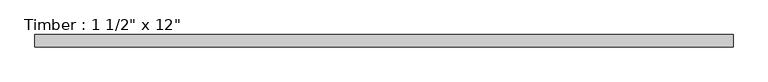
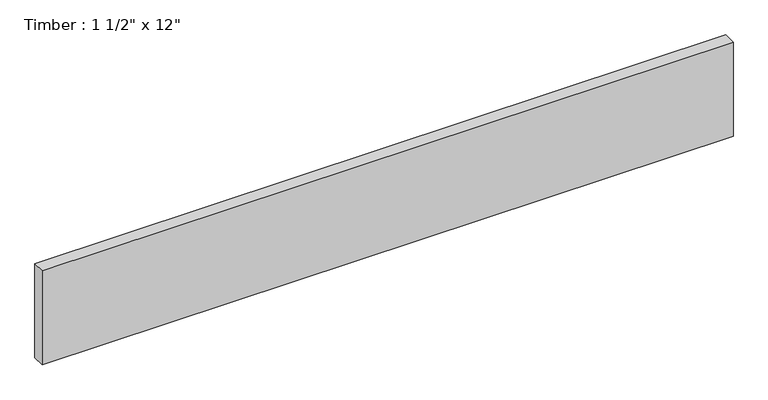
"""IFC4 building model written with IfcOpenShell, lengths in millimetres: beam geometry."""

from ifc_helpers import new_model, si_unit, frame, origin, place, context, project, spatial, polyline, outline, extrude, source, transform, mapped, element, save


def beam_cb51bc5b(model_context):
    return source(origin(), model_context, "Body", "SweptSolid", [
        extrude(outline(polyline([(1058.9640807, 19.05), (1058.9640807, -19.05), (-1058.9640807, -19.05), (-1058.9640807, 19.05), (1058.9640807, 19.05)])), frame((0.0, 0.0, -152.4), z_axis=(0.0, 0.0, 1.0), x_axis=(1.0, 0.0, 0.0)), (0.0, 0.0, 1.0), 304.8),
    ])


if __name__ == "__main__":
    model = new_model("IFC4")
    model_context = context("Model", 3, world=origin())
    ifc_project = project(units=[si_unit("LENGTHUNIT", "METRE", prefix="MILLI")], contexts=[model_context])
    site = spatial("IfcSite", under=ifc_project)
    building = spatial("IfcBuilding", under=site)
    placement = place(None, origin())
    beam_shape = beam_cb51bc5b(model_context)
    element("IfcBeam", 1, ObjectType="Timber : 1 1/2\" x 12\"", at=placement, inside=building, context=model_context, shape_type="MappedRepresentation", body=[
        mapped(beam_shape, transform((0.0, 0.0, 0.0), x_axis=(1.0, 0.0, 0.0), y_axis=(0.0, 1.0, 0.0), z_axis=(0.0, 0.0, 1.0))),
    ])
    save(model, "model.ifc")
